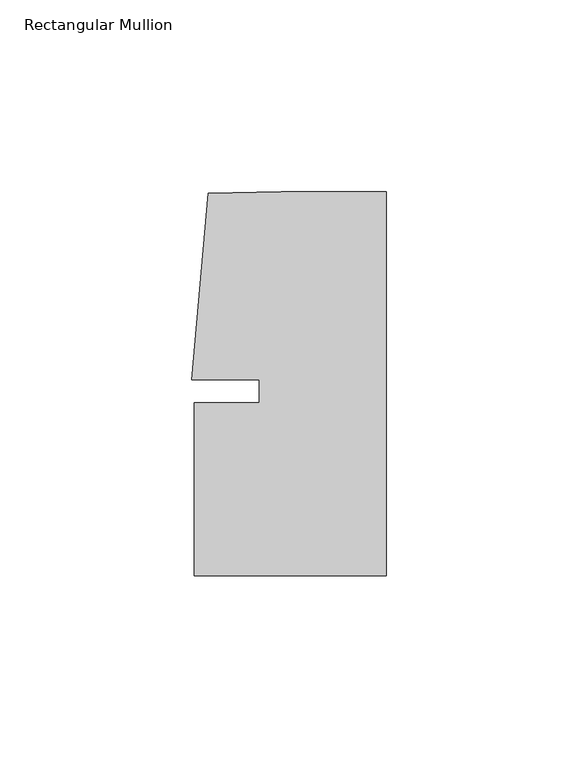
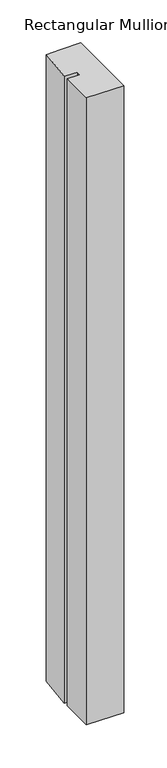
"""IFC4 building model written with IfcOpenShell, lengths in millimetres: member geometry, Rectangular Mullion."""

from ifc_helpers import new_model, si_unit, frame, origin, place, context, project, spatial, polyline, outline, extrude, source, transform, mapped, element, save


def rectangular_mullion_936b50ff(model_context):
    return source(origin(), model_context, "Body", "SweptSolid", [
        extrude(outline(polyline([(-33.0004671, -3.0000287), (-33.0004665, 2.9999885), (-50.6129097, 2.9999903), (-46.3623019, 51.5846059), (-27.2554335, 51.9999707), (0.0, 51.999968), (-9.8e-06, -48.0000271), (-50.0000098, -48.0000271), (-50.0000054, -3.0000271), (-33.0004671, -3.0000287)])), frame((0.0, 0.0, -890.7159699), z_axis=(0.0, 0.0, 1.0), x_axis=(1.0, 0.0, 0.0)), (0.0, 0.0, 1.0), 890.7159699),
    ])


if __name__ == "__main__":
    model = new_model("IFC4")
    model_context = context("Model", 3, world=origin())
    ifc_project = project(units=[si_unit("LENGTHUNIT", "METRE", prefix="MILLI")], contexts=[model_context])
    site = spatial("IfcSite", under=ifc_project)
    building = spatial("IfcBuilding", under=site)
    placement = place(None, origin())
    rectangular_mullion_shape = rectangular_mullion_936b50ff(model_context)
    element("IfcMember", 1, ObjectType="Rectangular Mullion", at=placement, inside=building, context=model_context, shape_type="MappedRepresentation", body=[
        mapped(rectangular_mullion_shape, transform((0.0, 0.0, 0.0), x_axis=(1.0, 0.0, 0.0), y_axis=(0.0, 1.0, 0.0), z_axis=(0.0, 0.0, 1.0))),
    ])
    save(model, "model.ifc")
